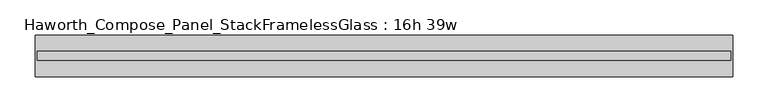
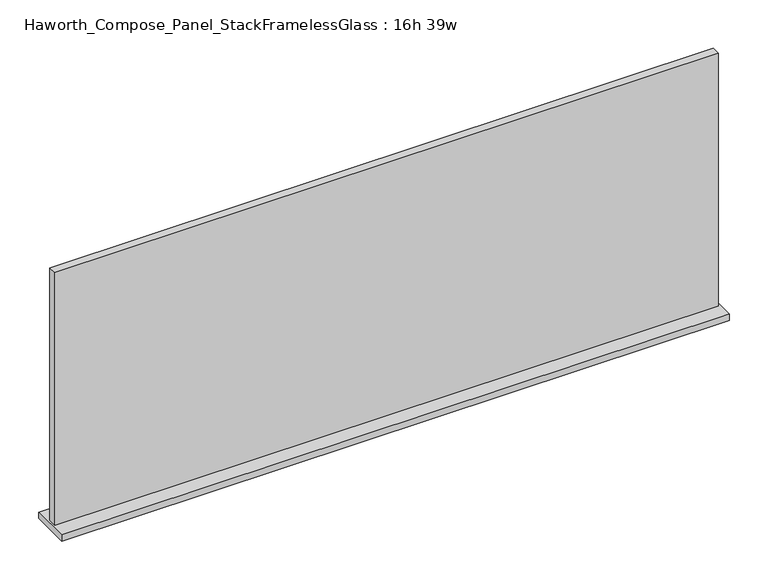
"""IFC4 building model written with IfcOpenShell, lengths in millimetres: furniture geometry, Haworth_Compose_Panel_StackFramelessGlass : 16h 39w."""

from ifc_helpers import new_model, si_unit, frame, origin, place, context, project, spatial, polyline, outline, extrude, source, transform, mapped, element, save


def haworth_compose_panel_stackframelessglass_16h_39w_a9ac9fcb(model_context):
    return source(origin(), model_context, "Body", "SweptSolid", [
        extrude(outline(polyline([(494.5652902, -27.3093594), (-489.6847098, -27.3093594), (-489.6847098, -14.6093594), (494.5652902, -14.6093594), (494.5652902, -27.3093594)])), frame((0.0, 0.0, 1279.525), z_axis=(0.0, 0.0, 1.0), x_axis=(1.0, 0.0, 0.0)), (0.0, 0.0, 1.0), 396.875),
        extrude(outline(polyline([(-492.8597098, -50.3281094), (-492.8597098, 8.4093906), (497.7402902, 8.4093906), (497.7402902, -50.3281094), (-492.8597098, -50.3281094)])), frame((0.0, 0.0, 1270.0), z_axis=(0.0, 0.0, 1.0), x_axis=(1.0, 0.0, 0.0)), (0.0, 0.0, 1.0), 9.525),
    ])


if __name__ == "__main__":
    model = new_model("IFC4")
    model_context = context("Model", 3, world=origin())
    ifc_project = project(units=[si_unit("LENGTHUNIT", "METRE", prefix="MILLI")], contexts=[model_context])
    site = spatial("IfcSite", under=ifc_project)
    building = spatial("IfcBuilding", under=site)
    placement = place(None, origin())
    haworth_compose_panel_stackframelessglass_16h_39w_shape = haworth_compose_panel_stackframelessglass_16h_39w_a9ac9fcb(model_context)
    element("IfcFurniture", 1, ObjectType="Haworth_Compose_Panel_StackFramelessGlass : 16h 39w", at=placement, inside=building, context=model_context, shape_type="MappedRepresentation", body=[
        mapped(haworth_compose_panel_stackframelessglass_16h_39w_shape, transform((0.0, 0.0, 0.0), x_axis=(1.0, 0.0, 0.0), y_axis=(0.0, 1.0, 0.0), z_axis=(0.0, 0.0, 1.0))),
    ])
    save(model, "model.ifc")
